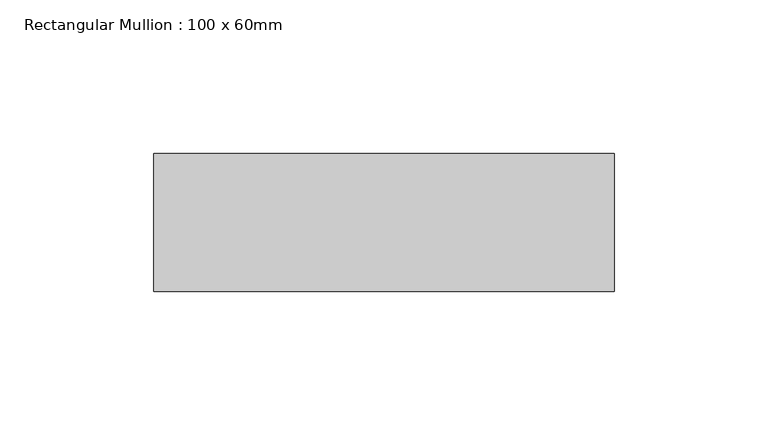
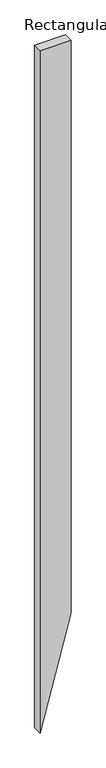
"""IFC4 building model written with IfcOpenShell, lengths in millimetres: member geometry, Rectangular Mullion : 100 x 60mm."""

from ifc_helpers import new_model, si_unit, frame, origin, place, context, project, spatial, polyline, outline, extrude, source, transform, mapped, element, save


def rectangular_mullion_100_x_60mm_8004fba8(model_context):
    return source(origin(), model_context, "Body", "SweptSolid", [
        extrude(outline(polyline([(0.0, 75.0), (0.0, -75.0), (-3489.05162, -75.0), (-2929.2439988, 75.0), (0.0, 75.0)])), frame((0.0, -15.0, 0.0), z_axis=(0.0, 1.0, 0.0), x_axis=(0.0, 0.0, 1.0)), (0.0, 0.0, 1.0), 45.0),
    ])


if __name__ == "__main__":
    model = new_model("IFC4")
    model_context = context("Model", 3, world=origin())
    ifc_project = project(units=[si_unit("LENGTHUNIT", "METRE", prefix="MILLI")], contexts=[model_context])
    site = spatial("IfcSite", under=ifc_project)
    building = spatial("IfcBuilding", under=site)
    placement = place(None, origin())
    rectangular_mullion_100_x_60mm_shape = rectangular_mullion_100_x_60mm_8004fba8(model_context)
    element("IfcMember", 1, ObjectType="Rectangular Mullion : 100 x 60mm", at=placement, inside=building, context=model_context, shape_type="MappedRepresentation", body=[
        mapped(rectangular_mullion_100_x_60mm_shape, transform((0.0, 0.0, 0.0), x_axis=(1.0, 0.0, 0.0), y_axis=(0.0, 1.0, 0.0), z_axis=(0.0, 0.0, 1.0))),
    ])
    save(model, "model.ifc")
